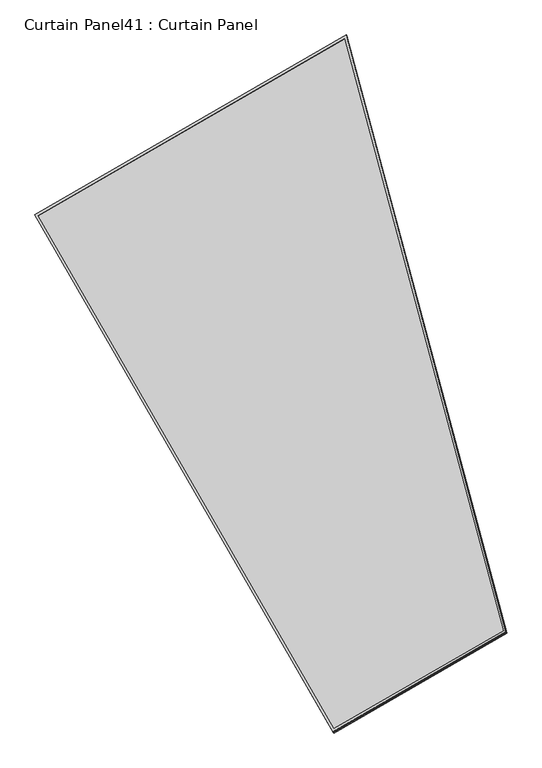
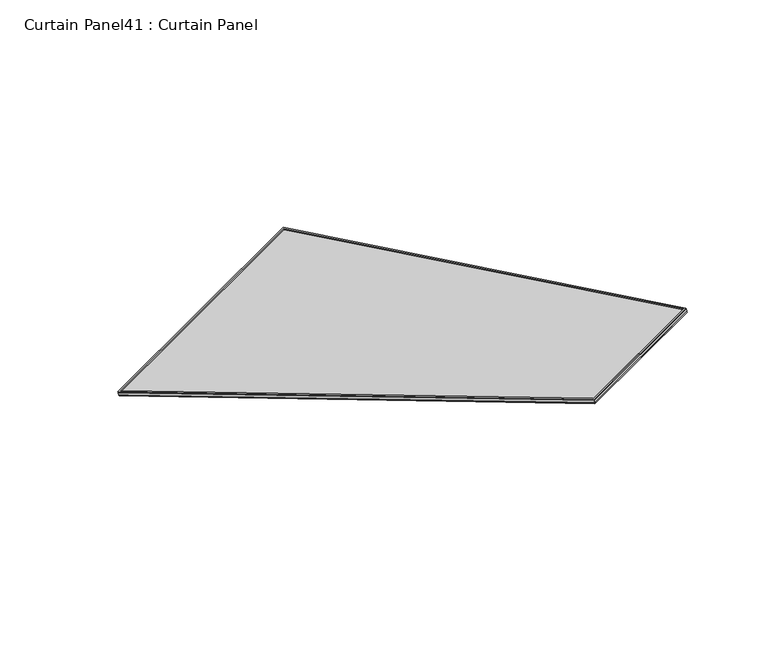
"""IFC4 building model written with IfcOpenShell, lengths in millimetres: plate geometry, Curtain Panel41 : Curtain Panel."""

from ifc_helpers import new_model, si_unit, frame, origin, place, context, project, spatial, polyline, outline, extrude, source, transform, mapped, element, save


def curtain_panel41_curtain_panel_84db6562(model_context):
    return source(origin(), model_context, "Body", "SweptSolid", [
        extrude(outline(polyline([(903.3982323, -2842.288964), (0.0, -2842.288964), (0.0, 0.0), (1625.9258266, 0.0), (903.3982323, -2842.288964)]), holes=[polyline([(1611.6350307, -11.1125), (11.1125, -11.1125), (11.1125001, -2831.176464), (894.7571701, -2831.176464), (1611.6350307, -11.1125)])]), frame((8355.5446057, 9890.8886508, -25.8793379), z_axis=(-0.15807291198689236, 0.2737903148616677, 0.9487106081329192), x_axis=(0.8660254037844449, 0.4999999999999892, 0.0)), (0.0, 0.0, 1.0), 4.7666676),
        extrude(outline(polyline([(903.3982324, -2842.288964), (0.0, -2842.288964), (0.0, 0.0), (1625.9258265, 0.0), (903.3982324, -2842.288964)]), holes=[polyline([(1611.6350306, -11.1125), (11.1125, -11.1125), (11.1125, -2831.176464), (894.7571702, -2831.176464), (1611.6350306, -11.1125)])]), frame((8352.7563962, 9895.7179713, -9.145263), z_axis=(-0.15807291198690898, 0.2737903148616969, 0.948710608132908), x_axis=(0.866025403784445, 0.49999999999998906, 0.0)), (0.0, 0.0, 1.0), 4.8300575),
        extrude(outline(polyline([(12.7, 0.0), (1638.6258265, 1e-07), (916.0982322, -2842.2889639), (12.6999999, -2842.2889639), (12.7, 0.0)])), frame((8343.7926021, 9885.8437182, -21.3571498), z_axis=(-0.15807291198689918, 0.27379031486168054, 0.9487106081329143), x_axis=(0.8660254037844455, 0.4999999999999882, 0.0)), (0.0, 0.0, 1.0), 12.8720884),
    ])


if __name__ == "__main__":
    model = new_model("IFC4")
    model_context = context("Model", 3, world=origin())
    ifc_project = project(units=[si_unit("LENGTHUNIT", "METRE", prefix="MILLI")], contexts=[model_context])
    site = spatial("IfcSite", under=ifc_project)
    building = spatial("IfcBuilding", under=site)
    placement = place(None, origin())
    curtain_panel41_curtain_panel_shape = curtain_panel41_curtain_panel_84db6562(model_context)
    element("IfcPlate", 1, ObjectType="Curtain Panel41 : Curtain Panel", at=placement, inside=building, context=model_context, shape_type="MappedRepresentation", body=[
        mapped(curtain_panel41_curtain_panel_shape, transform((0.0, 0.0, 0.0), x_axis=(1.0, 0.0, 0.0), y_axis=(0.0, 1.0, 0.0), z_axis=(0.0, 0.0, 1.0))),
    ])
    save(model, "model.ifc")
